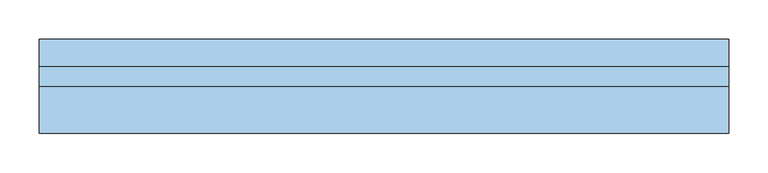
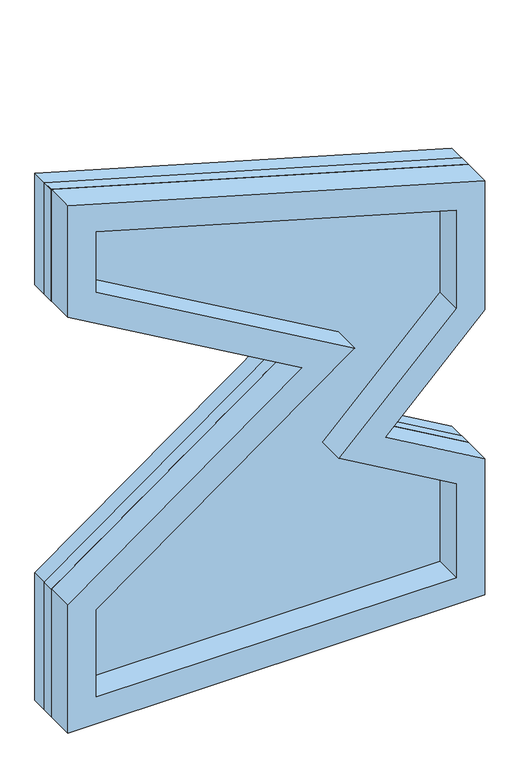
"""IFC4 building model written with IfcOpenShell, lengths in millimetres: window geometry."""

from ifc_helpers import new_model, si_unit, frame, origin, place, context, project, spatial, polyline, outline, extrude, faceted_brep, source, transform, mapped, element, save


def window_716e9347(model_context):
    return source(origin(), model_context, "Body", "SolidModel", [
        extrude(outline(polyline([(1734.3936123, 440.0), (1986.7295518, -440.0), (1737.4680317, -440.0), (1451.4864631, 55.3346068), (1094.8773953, -440.0), (810.0, -440.0), (810.0, 440.0), (1114.2264973, 440.0), (1235.690121, 229.6188325), (1446.0712884, 440.0), (1734.3936123, 440.0)])), frame((0.0, 0.0, 0.0), z_axis=(0.0, 1.0, 0.0), x_axis=(0.0, 0.0, 1.0)), (0.0, 0.0, 1.0), 25.0),
        faceted_brep([(405.0, 0.0, 1094.0192379), (405.0, 60.0, 1094.0192379), (405.0, 60.0, 845.0), (405.0, 0.0, 845.0), (55.3346068, 60.0, 1451.4864631), (-440.0, 60.0, 1737.4680317), (-440.0, 60.0, 1986.7295518), (440.0, 60.0, 1734.3936123), (440.0, 60.0, 1446.0712884), (229.6188325, 60.0, 1235.690121), (440.0, 60.0, 1114.2264973), (440.0, 60.0, 810.0), (-440.0, 60.0, 810.0), (-440.0, 60.0, 1094.8773953), (405.0, 60.0, 1708.0192206), (-405.0, 60.0, 1940.282983), (-405.0, 60.0, 1757.6752911), (119.7316532, 60.0, 1454.7213298), (-405.0, 60.0, 1076.9482787), (-405.0, 60.0, 845.0), (172.6169127, 60.0, 1228.1856759), (405.0, 60.0, 1460.5687631), (-405.0, 0.0, 845.0), (119.7316532, 0.0, 1454.7213298), (-405.0, 0.0, 1757.6752911), (-405.0, 0.0, 1940.282983), (405.0, 0.0, 1708.0192206), (405.0, 0.0, 1460.5687631), (172.6169127, 0.0, 1228.1856759), (-405.0, 0.0, 1076.9482787), (380.0, 0.0, 1689.1803693), (-380.0, 0.0, 1907.1068625), (-380.0, 0.0, 1772.1090478), (165.7295436, 0.0, 1457.0319489), (-380.0, 0.0, 1064.1417669), (-380.0, 0.0, 870.0), (380.0, 0.0, 870.0), (380.0, 0.0, 1079.5854812), (131.9012558, 0.0, 1222.8253579), (380.0, 0.0, 1470.9241022), (380.0, -60.0, 1079.5854812), (380.0, -60.0, 870.0), (-380.0, -60.0, 870.0), (440.0, -60.0, 1734.3936123), (-440.0, -60.0, 1986.7295518), (-440.0, -60.0, 1737.4680317), (55.3346068, -60.0, 1451.4864631), (-440.0, -60.0, 1094.8773953), (-440.0, -60.0, 810.0), (440.0, -60.0, 810.0), (440.0, -60.0, 1114.2264973), (229.6188325, -60.0, 1235.690121), (440.0, -60.0, 1446.0712884), (165.7295436, -60.0, 1457.0319489), (-380.0, -60.0, 1772.1090478), (-380.0, -60.0, 1907.1068625), (380.0, -60.0, 1689.1803693), (380.0, -60.0, 1470.9241022), (131.9012558, -60.0, 1222.8253579), (-380.0, -60.0, 1064.1417669)], [[[0, 1, 2, 3]], [[4, 5, 6, 7, 8, 9, 10, 11, 12, 13], [14, 15, 16, 17, 18, 19, 2, 1, 20, 21]], [[3, 2, 19, 22]], [[23, 24, 25, 26, 27, 28, 0, 3, 22, 29], [30, 31, 32, 33, 34, 35, 36, 37, 38, 39]], [[40, 37, 36, 41]], [[41, 36, 35, 42]], [[43, 44, 45, 46, 47, 48, 49, 50, 51, 52], [53, 54, 55, 56, 57, 58, 40, 41, 42, 59]], [[10, 50, 49, 11]], [[11, 49, 48, 12]], [[22, 19, 18, 29]], [[42, 35, 34, 59]], [[12, 48, 47, 13]], [[26, 14, 21, 27]], [[56, 30, 39, 57]], [[7, 43, 52, 8]], [[27, 21, 20, 28]], [[57, 39, 38, 58]], [[8, 52, 51, 9]], [[28, 20, 1, 0]], [[58, 38, 37, 40]], [[9, 51, 50, 10]], [[29, 18, 17, 23]], [[59, 34, 33, 53]], [[13, 47, 46, 4]], [[23, 17, 16, 24]], [[53, 33, 32, 54]], [[4, 46, 45, 5]], [[24, 16, 15, 25]], [[54, 32, 31, 55]], [[5, 45, 44, 6]], [[25, 15, 14, 26]], [[55, 31, 30, 56]], [[6, 44, 43, 7]]]),
    ])


if __name__ == "__main__":
    model = new_model("IFC4")
    model_context = context("Model", 3, world=origin())
    ifc_project = project(units=[si_unit("LENGTHUNIT", "METRE", prefix="MILLI")], contexts=[model_context])
    site = spatial("IfcSite", under=ifc_project)
    building = spatial("IfcBuilding", under=site)
    placement = place(None, origin())
    window_shape = window_716e9347(model_context)
    element("IfcWindow", 1, at=placement, inside=building, context=model_context, shape_type="MappedRepresentation", body=[
        mapped(window_shape, transform((0.0, 0.0, 0.0), x_axis=(1.0, 0.0, 0.0), y_axis=(0.0, 1.0, 0.0), z_axis=(0.0, 0.0, 1.0))),
    ])
    save(model, "model.ifc")
